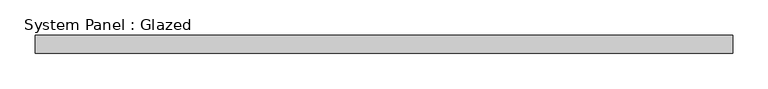
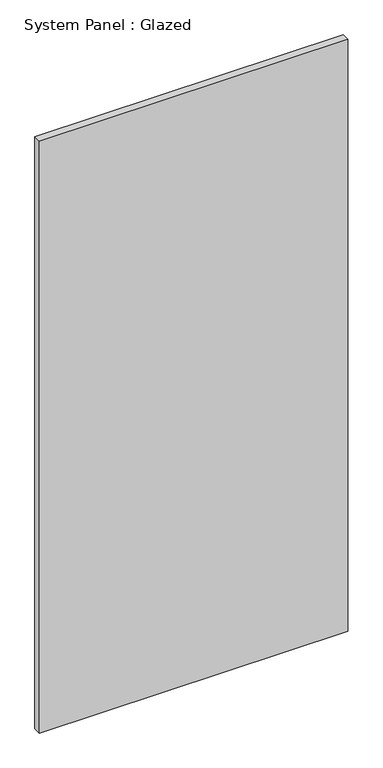
"""IFC4 building model written with IfcOpenShell, lengths in millimetres: plate geometry, System Panel : Glazed."""

import ifcopenshell
import ifcopenshell.guid

model = None  # the IFC model being written
_history = None  # IfcOwnerHistory: only IFC2X3 demands one
_inside = {}  # id of a spatial element -> (the spatial element, [elements in it])
_under = {}  # id of a project, library or spatial element -> (it, [spatial elements below it])
_declared = {}  # id of a project -> (the project, [libraries it declares])
_typed = {}  # id of a type object -> (the type object, [elements of that type])
_made_of = {}  # id of a material, layer set ... -> (it, [elements and type objects made of it])


def new_model(schema):
    """Start an empty IFC model of exactly this schema.

    Asked for "IFC4X3", IfcOpenShell would pick the latest addendum, in which some entities
    have other attributes; the version numbers below select the first issue.
    IFC2X3 requires an IfcOwnerHistory on every rooted entity: one is made here for all.
    """
    global model, _history
    if schema == "IFC4X3":
        model = ifcopenshell.file(schema_version=(4, 3, 0, 0))
    else:
        model = ifcopenshell.file(schema=schema)
    _inside.clear()
    _under.clear()
    _declared.clear()
    _typed.clear()
    _made_of.clear()
    _history = None
    if model.schema == "IFC2X3":
        org = make("IfcOrganization", Name="unknown")
        user = make(
            "IfcPersonAndOrganization",
            ThePerson=make("IfcPerson", FamilyName="unknown"),
            TheOrganization=org,
        )
        app = make(
            "IfcApplication",
            ApplicationDeveloper=org,
            Version="unknown",
            ApplicationFullName="unknown",
            ApplicationIdentifier="unknown",
        )
        _history = make(
            "IfcOwnerHistory",
            OwningUser=user,
            OwningApplication=app,
            ChangeAction="ADDED",
            CreationDate=0,
        )
    return model


def make(cls, **values):
    """One entity of the class cls with the attributes given. An attribute that is None is left unset."""
    return model.create_entity(
        cls, **{name: value for name, value in values.items() if value is not None}
    )


def rooted(cls, **values):
    """An entity with a GlobalId (a new one), such as an element, a storey or a relation."""
    return make(cls, GlobalId=ifcopenshell.guid.new(), OwnerHistory=_history, **values)


def si_unit(unit_type, name, prefix=None):
    """IfcSIUnit, for example si_unit("LENGTHUNIT", "METRE", prefix="MILLI")."""
    return make("IfcSIUnit", UnitType=unit_type, Prefix=prefix, Name=name)


def assignment(units):
    """IfcUnitAssignment: the units of a project."""
    return None if units is None else make("IfcUnitAssignment", Units=units)


def point(xyz):
    """IfcCartesianPoint."""
    return None if xyz is None else make("IfcCartesianPoint", Coordinates=xyz)


def direction(xyz):
    """IfcDirection."""
    return None if xyz is None else make("IfcDirection", DirectionRatios=xyz)


def frame(location, z_axis=None, x_axis=None):
    """IfcAxis2Placement3D, a coordinate frame: its origin and axes. An axis left out is left unset."""
    return make(
        "IfcAxis2Placement3D",
        Location=point(location),
        Axis=direction(z_axis),
        RefDirection=direction(x_axis),
    )


def origin():
    """The frame at (0, 0, 0) with its axes left unset."""
    return frame((0.0, 0.0, 0.0))


def origin_with_axes():
    """The frame at (0, 0, 0) with the z axis (0, 0, 1) and the x axis (1, 0, 0) written out."""
    return frame((0.0, 0.0, 0.0), z_axis=(0.0, 0.0, 1.0), x_axis=(1.0, 0.0, 0.0))


def place(relative_to, where):
    """IfcLocalPlacement: puts the frame where relative to a parent placement (None: the world)."""
    return make(
        "IfcLocalPlacement", PlacementRelTo=relative_to, RelativePlacement=where
    )


def context(
    kind, dimensions, precision=None, world=None, true_north=None, identifier=None
):
    """IfcGeometricRepresentationContext, for example the 3D "Model" context."""
    return make(
        "IfcGeometricRepresentationContext",
        ContextIdentifier=identifier,
        ContextType=kind,
        CoordinateSpaceDimension=dimensions,
        Precision=precision,
        WorldCoordinateSystem=world,
        TrueNorth=true_north,
    )


def project(units=None, contexts=None):
    """IfcProject with its units and contexts."""
    return rooted(
        "IfcProject",
        Name="project",
        RepresentationContexts=contexts,
        UnitsInContext=assignment(units),
    )


def spatial(cls, under=None, at=None, **own):
    """A site, building, storey or space (cls), placed at a placement, below another one or the project."""
    s = rooted(cls, ObjectPlacement=at, **own)
    if under is not None:
        _under.setdefault(under.id(), (under, []))[1].append(s)
    return s


def polyline(points):
    """IfcPolyline through the points."""
    return make("IfcPolyline", Points=[point(p) for p in points])


def outline(outer, holes=None, kind="AREA"):
    """IfcArbitraryClosedProfileDef: a profile drawn as a closed curve; with holes, ...WithVoids."""
    if holes is None:
        return make("IfcArbitraryClosedProfileDef", ProfileType=kind, OuterCurve=outer)
    return make(
        "IfcArbitraryProfileDefWithVoids",
        ProfileType=kind,
        OuterCurve=outer,
        InnerCurves=holes,
    )


def extrude(swept, where, along, depth):
    """IfcExtrudedAreaSolid: the profile swept, set in the frame where, extruded along a direction by depth."""
    return make(
        "IfcExtrudedAreaSolid",
        SweptArea=swept,
        Position=where,
        ExtrudedDirection=direction(along),
        Depth=depth,
    )


def shape(context_of_items, identifier, shape_type, items):
    """IfcShapeRepresentation: the items that make up one representation, for example the "Body"."""
    return make(
        "IfcShapeRepresentation",
        ContextOfItems=context_of_items,
        RepresentationIdentifier=identifier,
        RepresentationType=shape_type,
        Items=items,
    )


def source(mapping_origin, context_of_items, identifier, shape_type, items):
    """IfcRepresentationMap: a shape defined once, which mapped items show again and again."""
    return make(
        "IfcRepresentationMap",
        MappingOrigin=mapping_origin,
        MappedRepresentation=shape(context_of_items, identifier, shape_type, items),
    )


def transform(
    local_origin,
    x_axis=None,
    y_axis=None,
    z_axis=None,
    scale=None,
    scale2=None,
    scale3=None,
    uniform=True,
):
    """IfcCartesianTransformationOperator3D, or its non-uniform kind. x_axis, y_axis, z_axis: its Axis1, 2, 3."""
    if uniform:
        return make(
            "IfcCartesianTransformationOperator3D",
            Axis1=direction(x_axis),
            Axis2=direction(y_axis),
            LocalOrigin=point(local_origin),
            Scale=scale,
            Axis3=direction(z_axis),
        )
    return make(
        "IfcCartesianTransformationOperator3DnonUniform",
        Axis1=direction(x_axis),
        Axis2=direction(y_axis),
        LocalOrigin=point(local_origin),
        Scale=scale,
        Axis3=direction(z_axis),
        Scale2=scale2,
        Scale3=scale3,
    )


def mapped(mapping_source, mapping_target):
    """IfcMappedItem: shows the shape of a source again, moved by a transform."""
    return make(
        "IfcMappedItem", MappingSource=mapping_source, MappingTarget=mapping_target
    )


def made_of(thing, what):
    """Note that an element or type object is made of a material, layer set ...; save() writes the relation."""
    if what is not None:
        _made_of.setdefault(what.id(), (what, []))[1].append(thing)
    return thing


def element(
    cls,
    number,
    at=None,
    inside=None,
    cuts=None,
    type_object=None,
    material=None,
    context=None,
    identifier="Body",
    shape_type=None,
    held_by="IfcProductDefinitionShape",
    body=None,
    shapes=None,
    **own,
):
    """One element of the class cls, such as IfcWall. Its Tag is "e" and its number.

    at: its placement. inside: the storey or other place that contains it. cuts: it is an
    opening in that element (IfcRelVoidsElement). A single representation is given by context,
    identifier, shape_type and body (its items); several are given by shapes. held_by: the class
    of the entity that holds the representations. save() writes the other relations.
    """
    e = rooted(cls, Tag="e%d" % number, ObjectPlacement=at, **own)
    if body is not None:
        shapes = [shape(context, identifier, shape_type, body)]
    if shapes is not None:
        e.Representation = make(held_by, Representations=shapes)
    if inside is not None:
        _inside.setdefault(inside.id(), (inside, []))[1].append(e)
    if cuts is not None:
        rooted(
            "IfcRelVoidsElement", RelatingBuildingElement=cuts, RelatedOpeningElement=e
        )
    if type_object is not None:
        _typed.setdefault(type_object.id(), (type_object, []))[1].append(e)
    return made_of(e, material)


def aggregate(whole, parts):
    """IfcRelAggregates: a whole, such as a stair, and the parts it consists of."""
    return rooted("IfcRelAggregates", RelatingObject=whole, RelatedObjects=parts)


def save(model, path):
    """Write the relations noted so far, then the file.

    IfcRelAggregates (storeys below a building ...), IfcRelContainedInSpatialStructure (elements
    in a storey), IfcRelDefinesByType, IfcRelAssociatesMaterial and IfcRelDeclares: one each for
    every whole, place, type object, material and project.
    """
    for whole, parts in _under.values():
        aggregate(whole, parts)
    for where, things in _inside.values():
        rooted(
            "IfcRelContainedInSpatialStructure",
            RelatedElements=things,
            RelatingStructure=where,
        )
    for kind, things in _typed.values():
        rooted("IfcRelDefinesByType", RelatedObjects=things, RelatingType=kind)
    for what, things in _made_of.values():
        rooted("IfcRelAssociatesMaterial", RelatedObjects=things, RelatingMaterial=what)
    for by, libraries in _declared.values():
        rooted("IfcRelDeclares", RelatingContext=by, RelatedDefinitions=libraries)
    model.write(path)


def system_panel_glazed_d6579dd6(model_context):
    return source(origin(), model_context, "Body", "SweptSolid", [
        extrude(outline(polyline([(492.8380268, 24.5), (-492.8380268, 24.5), (-492.8380268, 49.5), (492.8380268, 49.5), (492.8380268, 24.5)])), origin_with_axes(), (0.0, 0.0, 1.0), 2000.0),
    ])


if __name__ == "__main__":
    model = new_model("IFC4")
    model_context = context("Model", 3, world=origin())
    ifc_project = project(units=[si_unit("LENGTHUNIT", "METRE", prefix="MILLI")], contexts=[model_context])
    site = spatial("IfcSite", under=ifc_project)
    building = spatial("IfcBuilding", under=site)
    placement = place(None, origin())
    system_panel_glazed_shape = system_panel_glazed_d6579dd6(model_context)
    element("IfcPlate", 1, ObjectType="System Panel : Glazed", at=placement, inside=building, context=model_context, shape_type="MappedRepresentation", body=[
        mapped(system_panel_glazed_shape, transform((0.0, 0.0, 0.0), x_axis=(1.0, 0.0, 0.0), y_axis=(0.0, 1.0, 0.0), z_axis=(0.0, 0.0, 1.0))),
    ])
    save(model, "model.ifc")
